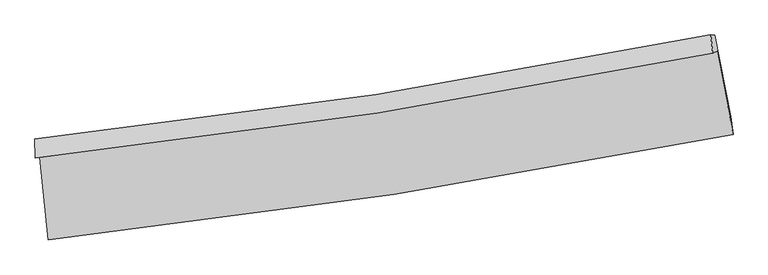
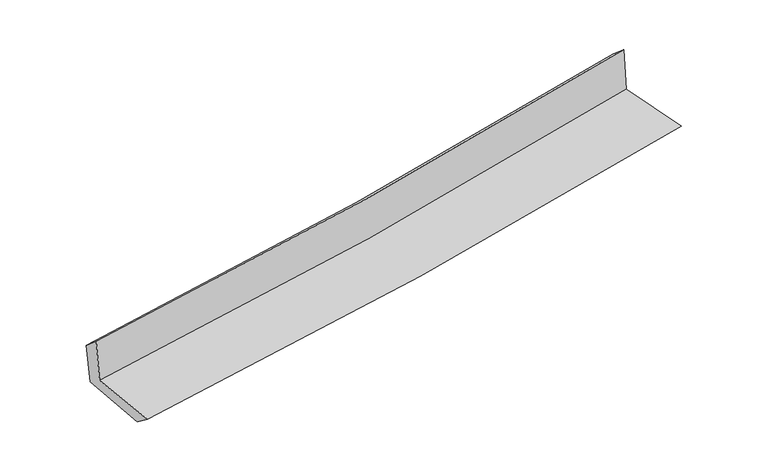
"""IFC4 building model written with IfcOpenShell, lengths in millimetres: proxy geometry."""

from ifc_helpers import new_model, si_unit, frame, origin, place, context, project, spatial, source, transform, mapped, element, save
from ifc_brep_helpers import plane_surface, spline_curve, spline_surface, advanced_brep


def generic_models_deee6fc2(model_context):
    return source(origin(), model_context, "Body", "AdvancedBrep", [
        advanced_brep(
        [(-2723.0944188, -1901.238875, 1656.2010811), (-2656.3860101, -2558.0555415, 1645.9282227), (2786.8526844, -1722.1776872, 2117.1302101), (2659.1505223, -1058.6193367, 2127.3518288), (-2757.0549789, -1908.0872887, 2052.7245582), (2625.890858, -1074.1084484, 2534.5578862), (-2761.2669702, -1757.1837135, 1927.8847835), (2609.1237925, -927.1066448, 2407.2660096), (-2728.6891396, -1760.3579905, 1558.6795784), (2643.0502774, -930.2057304, 2032.4955994), (-2661.8843386, -2401.4509219, 1529.2727269), (2769.0344589, -1577.8876522, 2007.4819229)],
        [
            (0, 1),
            (1, 2, spline_curve(3, [(-2656.3860101, -2558.0555415, 1645.9282227), (-1737.309647003, -2456.60726078, 1721.245486468), (-821.391506981, -2335.677910076, 1798.424402771), (992.944471443, -2056.577488253, 1955.537073175), (1891.439229668, -1898.880887519, 2035.425485942), (2786.8526844, -1722.1776872, 2117.1302101)], [4, 2, 4], [0.0, 9.076796278527036, 18.042376482779247])),
            (2, 3),
            (3, 0, spline_curve(3, [(2659.1505223, -1058.6193367, 2127.3518288), (1774.867113662, -1240.87164631, 2043.982910357), (886.992025875, -1401.914806726, 1963.261488775), (-906.999960616, -1683.317439397, 1806.145149153), (-1813.20651957, -1803.147458586, 1729.816321516), (-2723.0944188, -1901.238875, 1656.2010811)], [4, 2, 4], [0.0, 8.96558020425221, 18.042376482779247])),
            (4, 0),
            (3, 5),
            (5, 4, spline_curve(3, [(2625.890858, -1074.1084484, 2534.5578862), (1740.950071998, -1252.111325886, 2449.450769188), (852.686579022, -1410.305464971, 2366.975617009), (-941.545753494, -1688.792906047, 2206.298805002), (-1847.597539783, -1808.591713835, 2128.162847617), (-2757.0549789, -1908.0872887, 2052.7245582)], [4, 2, 4], [0.0, 8.917847808711267, 17.946319581702596])),
            (6, 4),
            (5, 7),
            (7, 6, spline_curve(3, [(2609.1237925, -927.1066448, 2407.2660096), (1726.352479428, -1107.203265103, 2325.732578286), (840.213806979, -1266.129577081, 2245.257113418), (-949.832386626, -1543.350417007, 2085.436960979), (-1853.823968162, -1661.11646146, 2006.118683506), (-2761.2669702, -1757.1837135, 1927.8847835)], [4, 2, 4], [0.0, 8.907330940159293, 17.925155385129504])),
            (8, 6),
            (7, 9),
            (9, 8, spline_curve(3, [(2643.0502774, -930.2057304, 2032.4955994), (1760.205649839, -1110.335662164, 1950.190767849), (873.919087385, -1269.284921377, 1869.785292795), (-916.57479546, -1546.531084004, 1711.799204866), (-1820.868038912, -1664.299244786, 1634.266006114), (-2728.6891396, -1760.3579905, 1558.6795784)], [4, 2, 4], [0.0, 8.897474469263251, 17.905320175957698])),
            (10, 8),
            (9, 11),
            (11, 10, spline_curve(3, [(2769.0344589, -1577.8876522, 2007.4819229), (1875.978063648, -1755.708102844, 1924.498391869), (979.683139998, -1912.953169505, 1843.389876959), (-830.542281209, -2187.987891605, 1683.940004703), (-1744.553623314, -2305.263915026, 1605.645454466), (-2661.8843386, -2401.4509219, 1529.2727269)], [4, 2, 4], [0.0, 8.945076916420867, 18.001115568286234])),
            (1, 10),
            (11, 2),
        ],
        [
            spline_surface(3, 3, [[(-2723.0944188, -1901.238875, 1656.2010811), (-1813.206519635, -1803.147458541, 1729.816321388), (-906.999960545, -1683.317439489, 1806.145149035), (886.992025805, -1401.914806635, 1963.261488892), (1774.867113738, -1240.871646276, 2043.982910503), (2659.1505223, -1058.6193367, 2127.3518288)], [(-2700.858282554, -2120.177763812, 1652.776794957), (-1787.907562032, -2020.967392565, 1726.959376371), (-878.463809308, -1900.770929656, 1803.571566916), (922.309507666, -1620.135700557, 1960.686683659), (1813.724485673, -1460.208060067, 2041.130435674), (2701.717909672, -1279.805453553, 2123.944622566)], [(-2678.622146346, -2339.116652688, 1649.352508843), (-1762.608604468, -2238.787326651, 1724.102431381), (-849.927658116, -2118.224419791, 1800.997984834), (957.626989482, -1838.356594447, 1958.111878462), (1852.581857591, -1679.5444738, 2038.277960848), (2744.285297028, -1500.991570347, 2120.537416334)], [(-2656.3860101, -2558.0555415, 1645.9282227), (-1737.309646865, -2456.607260675, 1721.245486363), (-821.391506879, -2335.677909959, 1798.424402715), (992.944471342, -2056.577488369, 1955.53707323), (1891.439229527, -1898.880887592, 2035.425486019), (2786.8526844, -1722.1776872, 2117.1302101)]], [4, 4], [4, 2, 4], [0.0, 2.1670157440673443], [0.0, 9.076796278527036, 18.042376482779247]),
            spline_surface(3, 3, [[(-2757.0549789, -1908.0872887, 2052.7245582), (-1847.597539709, -1808.591713899, 2128.162847707), (-941.545753605, -1688.792906061, 2206.298804885), (852.686579131, -1410.305464958, 2366.975617124), (1740.950072038, -1252.11132602, 2449.450769278), (2625.890858, -1074.1084484, 2534.5578862)], [(-2745.734792219, -1905.804484136, 1920.550065841), (-1836.13386637, -1806.776962116, 1995.380672275), (-930.030489263, -1686.967750547, 2072.914252942), (864.121728011, -1407.508578861, 2232.404241053), (1752.255752613, -1248.364766093, 2314.294816348), (2636.977412776, -1068.945411154, 2398.822533728)], [(-2734.414605481, -1903.521679564, 1788.375573459), (-1824.670192974, -1804.962210324, 1862.59849682), (-918.515224887, -1685.142595002, 1939.529700978), (875.556876926, -1404.711692732, 2097.832864962), (1763.561433162, -1244.618206203, 2179.138863433), (2648.063967524, -1063.782373946, 2263.087181272)], [(-2723.0944188, -1901.238875, 1656.2010811), (-1813.206519635, -1803.147458541, 1729.816321388), (-906.999960545, -1683.317439489, 1806.145149035), (886.992025805, -1401.914806635, 1963.261488892), (1774.867113738, -1240.871646276, 2043.982910503), (2659.1505223, -1058.6193367, 2127.3518288)]], [4, 4], [4, 2, 4], [0.0, 1.3236318878089266], [0.0, 9.02847177299133, 17.946319581702596]),
            spline_surface(3, 3, [[(-2761.2669702, -1757.1837135, 1927.8847835), (-1853.823968135, -1661.116461463, 2006.11868361), (-949.832386497, -1543.35041707, 2085.436960929), (840.213806852, -1266.129577019, 2245.257113467), (1726.352479433, -1107.203265191, 2325.732578162), (2609.1237925, -927.1066448, 2407.2660096)], [(-2759.862973085, -1807.484905232, 1969.498041757), (-1851.748491979, -1710.27487894, 2046.800071666), (-947.070175534, -1591.831246705, 2125.724242242), (844.37139761, -1314.188206303, 2285.829948013), (1731.21834362, -1155.505952143, 2366.971975215), (2614.712814319, -976.107246009, 2449.696635148)], [(-2758.458976015, -1857.786096968, 2011.111299943), (-1849.673015866, -1759.433296422, 2087.481459651), (-944.307964567, -1640.312076426, 2166.011523573), (848.528988373, -1362.246835674, 2326.402782578), (1736.084207851, -1203.808639067, 2408.211372225), (2620.301836181, -1025.107847191, 2492.127260652)], [(-2757.0549789, -1908.0872887, 2052.7245582), (-1847.597539709, -1808.591713899, 2128.162847707), (-941.545753605, -1688.792906061, 2206.298804885), (852.686579131, -1410.305464958, 2366.975617124), (1740.950072038, -1252.11132602, 2449.450769278), (2625.890858, -1074.1084484, 2534.5578862)]], [4, 4], [4, 2, 4], [0.0, 0.6206710959961618], [0.0, 9.017824444970211, 17.925155385129504]),
            spline_surface(3, 3, [[(-2728.6891396, -1760.3579905, 1558.6795784), (-1820.868038874, -1664.29924477, 1634.266006087), (-916.574795602, -1546.531083972, 1711.799204751), (873.919087526, -1269.284921409, 1869.785292909), (1760.205649902, -1110.335662163, 1950.19076789), (2643.0502774, -930.2057304, 2032.4955994)], [(-2739.548416467, -1759.299898167, 1681.747980089), (-1831.853348628, -1663.238317001, 1758.216898584), (-927.660659251, -1545.470861701, 1836.345123472), (862.68399395, -1268.233139976, 1994.942566423), (1748.921259743, -1109.291529827, 2075.371371301), (2631.741449097, -929.172701855, 2157.419069454)], [(-2750.407693333, -1758.241805833, 1804.816381811), (-1842.838658381, -1662.177389232, 1882.167791113), (-938.746522848, -1544.41063934, 1960.891042208), (851.448900427, -1267.181358452, 2120.099839953), (1737.636869593, -1108.247397527, 2200.55197475), (2620.432620803, -928.139673345, 2282.342539546)], [(-2761.2669702, -1757.1837135, 1927.8847835), (-1853.823968135, -1661.116461463, 2006.11868361), (-949.832386497, -1543.35041707, 2085.436960929), (840.213806852, -1266.129577019, 2245.257113467), (1726.352479433, -1107.203265191, 2325.732578162), (2609.1237925, -927.1066448, 2407.2660096)]], [4, 4], [4, 2, 4], [0.0, 1.2337598589207197], [0.0, 9.007845706694447, 17.905320175957698]),
            spline_surface(3, 3, [[(-2661.8843386, -2401.4509219, 1529.2727269), (-1744.553623248, -2305.263915144, 1605.6454544), (-830.542281122, -2187.98789173, 1683.940004734), (979.683139912, -1912.953169382, 1843.389876928), (1875.978063576, -1755.708102888, 1924.498391922), (2769.0344589, -1577.8876522, 2007.4819229)], [(-2684.15260559, -2187.753278109, 1539.075010739), (-1769.99176178, -2091.609025029, 1615.185638301), (-859.219785945, -1974.168955796, 1693.226404747), (944.428455787, -1698.39708671, 1852.188348929), (1837.387259016, -1540.583955991, 1933.062517258), (2727.039731731, -1361.993678278, 2015.81981508)], [(-2706.42087261, -1974.055634291, 1548.877294561), (-1795.429900342, -1877.954134885, 1624.725822186), (-887.897290779, -1760.350019906, 1702.512804738), (909.173771651, -1483.841004081, 1860.986820908), (1798.796454463, -1325.45980906, 1941.626642554), (2685.045004569, -1146.099704322, 2024.15770722)], [(-2728.6891396, -1760.3579905, 1558.6795784), (-1820.868038874, -1664.29924477, 1634.266006087), (-916.574795602, -1546.531083972, 1711.799204751), (873.919087526, -1269.284921409, 1869.785292909), (1760.205649902, -1110.335662163, 1950.19076789), (2643.0502774, -930.2057304, 2032.4955994)]], [4, 4], [4, 2, 4], [0.0, 2.1332492445176783], [0.0, 9.056038651865368, 18.001115568286234]),
            spline_surface(3, 3, [[(-2656.3860101, -2558.0555415, 1645.9282227), (-1737.309646865, -2456.607260675, 1721.245486363), (-821.391506879, -2335.677909959, 1798.424402715), (992.944471342, -2056.577488369, 1955.53707323), (1891.439229527, -1898.880887592, 2035.425486019), (2786.8526844, -1722.1776872, 2117.1302101)], [(-2658.218786284, -2505.854001643, 1607.043057417), (-1739.724305677, -2406.159478841, 1682.712142359), (-824.441764948, -2286.447903875, 1760.262936731), (988.524027544, -2008.702715365, 1918.154674472), (1886.285507548, -1851.156626008, 1998.449787977), (2780.913275905, -1674.081008851, 2080.580781024)], [(-2660.051562416, -2453.652461757, 1568.157892183), (-1742.138964436, -2355.711696977, 1644.178798404), (-827.492023053, -2237.217897814, 1722.101470719), (984.10358371, -1960.827942385, 1880.772275686), (1881.131785554, -1803.432364472, 1961.474089964), (2774.973867395, -1625.984330549, 2044.031351976)], [(-2661.8843386, -2401.4509219, 1529.2727269), (-1744.553623248, -2305.263915144, 1605.6454544), (-830.542281122, -2187.98789173, 1683.940004734), (979.683139912, -1912.953169382, 1843.389876928), (1875.978063576, -1755.708102888, 1924.498391922), (2769.0344589, -1577.8876522, 2007.4819229)]], [4, 4], [4, 2, 4], [0.0, 0.6066636469061466], [0.0, 9.114357822662434, 18.117039337355877]),
            plane_surface(frame((2682.1837656, -1215.0175833, 2204.3805762), z_axis=(0.9785021086137373, 0.186972567640373, 0.08703380026424219), x_axis=(-0.09015432814691395, 0.008235335435032083, 0.9958937575698781))),
            plane_surface(frame((-2714.7293094, -2047.7290552, 1728.4484918), z_axis=(-0.9912784515473327, -0.09932274218600431, -0.08661422736811167), x_axis=(-0.1010311805690543, 0.9947615972612089, 0.015558443596696473))),
        ],
        [
            (0, [[1, 2, 3, 4]]),
            (1, [[5, -4, 6, 7]]),
            (2, [[8, -7, 9, 10]]),
            (3, [[11, -10, 12, 13]]),
            (4, [[14, -13, 15, 16]]),
            (5, [[17, -16, 18, -2]]),
            (6, [[-12, -9, -6, -3, -18, -15]]),
            (7, [[-1, -5, -8, -11, -14, -17]]),
        ],
    ),
    ])


if __name__ == "__main__":
    model = new_model("IFC4")
    model_context = context("Model", 3, world=origin())
    ifc_project = project(units=[si_unit("LENGTHUNIT", "METRE", prefix="MILLI")], contexts=[model_context])
    site = spatial("IfcSite", under=ifc_project)
    building = spatial("IfcBuilding", under=site)
    placement = place(None, origin())
    generic_models_shape = generic_models_deee6fc2(model_context)
    element("IfcBuildingElementProxy", 1, Name="Generic Models", at=placement, inside=building, context=model_context, shape_type="MappedRepresentation", body=[
        mapped(generic_models_shape, transform((0.0, 0.0, 0.0), x_axis=(1.0, 0.0, 0.0), y_axis=(0.0, 1.0, 0.0), z_axis=(0.0, 0.0, 1.0))),
    ])
    save(model, "model.ifc")
